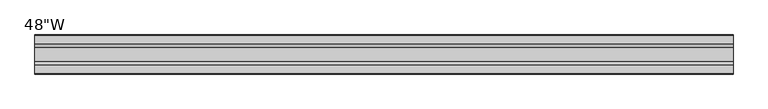
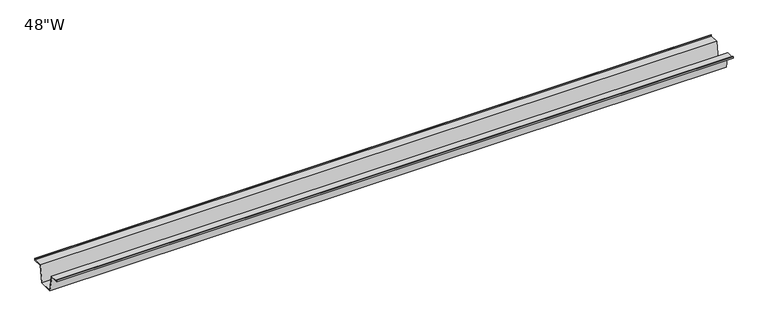
"""IFC4 building model written with IfcOpenShell, lengths in millimetres: furniture geometry."""

from ifc_helpers import new_model, si_unit, frame, origin, place, context, project, spatial, polyline, outline, extrude, source, transform, mapped, element, save


def furniture_dc1af505(model_context):
    return source(origin(), model_context, "Body", "SweptSolid", [
        extrude(outline(polyline([(-22.9397721, 866.775), (-28.502372, 836.5490007), (-53.9023728, 836.5490007), (-59.4649727, 866.775), (-75.3653716, 866.775), (-75.3653716, 869.95), (-74.5716216, 869.95), (-74.5716216, 867.56875), (-58.8172994, 867.56875), (-53.2546995, 837.3427507), (-29.1500453, 837.3427507), (-23.5874454, 867.56875), (-7.8331232, 867.56875), (-7.8331232, 869.95), (-7.0393732, 869.95), (-7.0393732, 866.775), (-22.9397721, 866.775)])), frame((-609.6, 0.0, 0.0), z_axis=(1.0, 0.0, 0.0), x_axis=(0.0, 1.0, 0.0)), (0.0, 0.0, 1.0), 1219.2),
    ])


if __name__ == "__main__":
    model = new_model("IFC4")
    model_context = context("Model", 3, world=origin())
    ifc_project = project(units=[si_unit("LENGTHUNIT", "METRE", prefix="MILLI")], contexts=[model_context])
    site = spatial("IfcSite", under=ifc_project)
    building = spatial("IfcBuilding", under=site)
    placement = place(None, origin())
    furniture_shape = furniture_dc1af505(model_context)
    element("IfcFurniture", 1, ObjectType="48\"W", at=placement, inside=building, context=model_context, shape_type="MappedRepresentation", body=[
        mapped(furniture_shape, transform((0.0, 0.0, 0.0), x_axis=(1.0, 0.0, 0.0), y_axis=(0.0, 1.0, 0.0), z_axis=(0.0, 0.0, 1.0))),
    ])
    save(model, "model.ifc")
